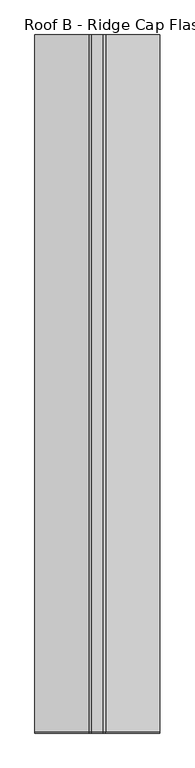
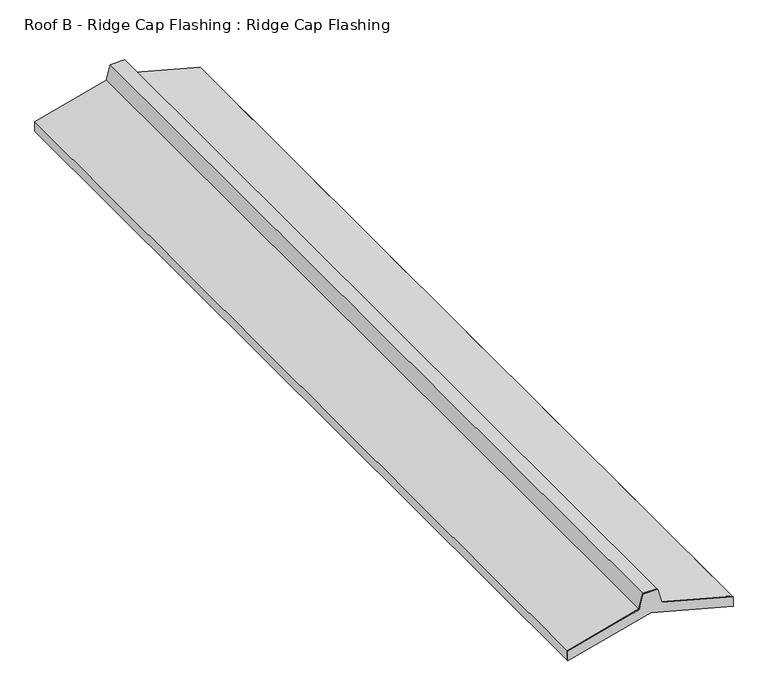
"""IFC4 building model written with IfcOpenShell, lengths in millimetres: proxy geometry, Roof B - Ridge Cap Flashing : Ridge Cap Flashing."""

from ifc_helpers import new_model, si_unit, frame, origin, place, context, project, spatial, polyline, outline, extrude, source, transform, mapped, element, save


def roof_b_ridge_cap_flashing_ridge_cap_flashing_ab452999(model_context):
    return source(origin(), model_context, "Body", "SweptSolid", [
        extrude(outline(polyline([(4041.5461554, 1972.125984), (3982.7281721, 1956.3657529), (3907.4455258, 1675.4070919), (3868.543288, 1675.4070919), (3955.5176956, 2000.0), (3868.543288, 2324.5929081), (3907.4455258, 2324.5929081), (3982.7281721, 2043.6342471), (4041.5461554, 2027.874016), (4041.5461554, 1972.125984)])), frame((0.0, -3745.9046321, 0.0), z_axis=(0.0, 1.0, 0.0), x_axis=(0.0, 0.0, 1.0)), (0.0, 0.0, 1.0), 5.0),
        extrude(outline(polyline([(4041.5461554, 2027.874016), (4041.5461554, 1972.125984), (3982.7281721, 1956.3657529), (3907.4455258, 1675.4070919), (3868.543288, 1675.4070919), (3868.543288, 1676.4070919), (3906.6781988, 1676.4070919), (3981.9116755, 1957.1822494), (4040.5461554, 1972.893311), (4040.5461554, 2027.106689), (3981.9116755, 2042.8177506), (3906.6781988, 2323.5929081), (3868.543288, 2323.5929081), (3868.543288, 2324.5929081), (3907.4455258, 2324.5929081), (3982.7281721, 2043.6342471), (4041.5461554, 2027.874016)])), frame((0.0, -3740.9046321, 0.0), z_axis=(0.0, 1.0, 0.0), x_axis=(0.0, 0.0, 1.0)), (0.0, 0.0, 1.0), 3624.5659865),
    ])


if __name__ == "__main__":
    model = new_model("IFC4")
    model_context = context("Model", 3, world=origin())
    ifc_project = project(units=[si_unit("LENGTHUNIT", "METRE", prefix="MILLI")], contexts=[model_context])
    site = spatial("IfcSite", under=ifc_project)
    building = spatial("IfcBuilding", under=site)
    placement = place(None, origin())
    roof_b_ridge_cap_flashing_ridge_cap_flashing_shape = roof_b_ridge_cap_flashing_ridge_cap_flashing_ab452999(model_context)
    element("IfcBuildingElementProxy", 1, Name="Roof B - Ridge Cap Flashing : Ridge Cap Flashing", ObjectType="Roof B - Ridge Cap Flashing : Ridge Cap Flashing", at=placement, inside=building, context=model_context, shape_type="MappedRepresentation", body=[
        mapped(roof_b_ridge_cap_flashing_ridge_cap_flashing_shape, transform((0.0, 0.0, 0.0), x_axis=(1.0, 0.0, 0.0), y_axis=(0.0, 1.0, 0.0), z_axis=(0.0, 0.0, 1.0))),
    ])
    save(model, "model.ifc")
